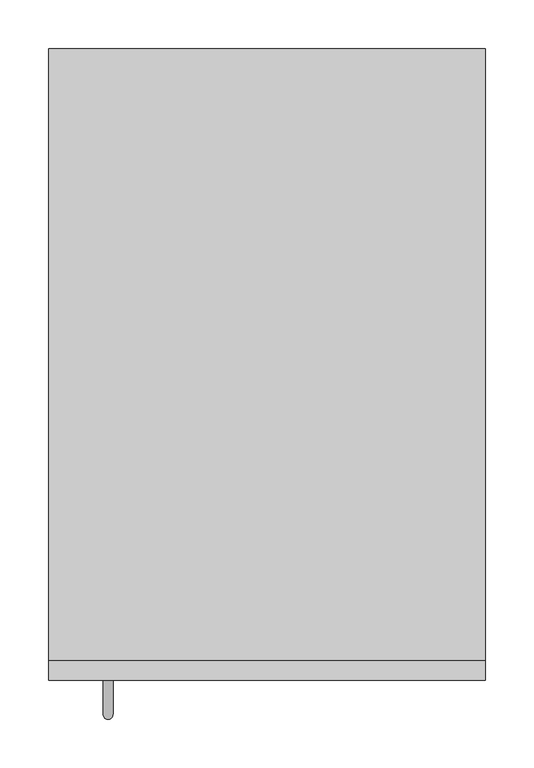
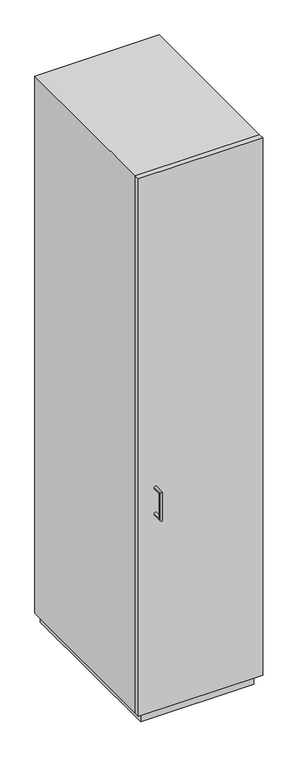
"""IFC4 building model written with IfcOpenShell, lengths in millimetres: proxy geometry."""

from ifc_helpers import new_model, si_unit, frame, origin, origin_with_axes, place, context, project, spatial, polyline, circle_curve, ellipse_curve, outline, extrude, source, transform, mapped, element, save
from ifc_brep_helpers import plane_surface, cylinder_surface, advanced_brep


def specialty_equipment_d4fbeb06(model_context):
    return source(origin(), model_context, "Body", "SolidModel", [
        extrude(outline(polyline([(181.7808709, -155.3863617), (181.7808709, -175.3863617), (-268.2191291, -175.3863617), (-268.2191291, -155.3863617), (181.7808709, -155.3863617)])), frame((0.0, 0.0, 40.0), z_axis=(0.0, 0.0, 1.0), x_axis=(1.0, 0.0, 0.0)), (0.0, 0.0, 1.0), 2060.0),
        extrude(outline(polyline([(161.7808709, 474.6136383), (161.7808709, -155.3863617), (-248.2191291, -155.3863617), (-248.2191291, 474.6136383), (161.7808709, 474.6136383)])), origin_with_axes(), (0.0, 0.0, 1.0), 50.0),
        extrude(outline(polyline([(181.7808709, 474.6136383), (181.7808709, -155.3863617), (-268.2191291, -155.3863617), (-268.2191291, 474.6136383), (181.7808709, 474.6136383)])), frame((0.0, 0.0, 40.0), z_axis=(0.0, 0.0, 1.0), x_axis=(1.0, 0.0, 0.0)), (0.0, 0.0, 1.0), 2060.0),
        advanced_brep(
        [(-211.8953572, -175.3863617, 896.2432495), (-201.8953572, -175.3863617, 896.2432495), (-211.8953572, -210.3863617, 896.2432495), (-201.8953572, -210.3863617, 896.2432495), (-211.8953572, -210.3863617, 796.2432495), (-201.8953572, -210.3863617, 796.2432495), (-211.8953572, -175.3863617, 796.2432495), (-201.8953572, -175.3863617, 796.2432495)],
        [
            (0, 1, circle_curve(frame((-206.8953572, -175.3863617, 896.2432495), z_axis=(0.0, 1.0, 0.0), x_axis=(1.0, 0.0, 0.0)), 5.0)),
            (1, 0, circle_curve(frame((-206.8953572, -175.3863617, 896.2432495), z_axis=(0.0, 1.0, 0.0), x_axis=(1.0, 0.0, 0.0)), 5.0)),
            (0, 2),
            (2, 3, ellipse_curve(frame((-206.8953572, -210.3863617, 896.2432495), z_axis=(0.0, 0.7071067811865503, 0.7071067811865446), x_axis=(0.0, 0.7071067811865449, -0.7071067811865502)), 7.0710678, 5.0)),
            (3, 1),
            (3, 2, ellipse_curve(frame((-206.8953572, -210.3863617, 896.2432495), z_axis=(0.0, 0.7071067811865503, 0.7071067811865446), x_axis=(0.0, 0.7071067811865449, -0.7071067811865502)), 7.0710678, 5.0)),
            (2, 4),
            (4, 5, ellipse_curve(frame((-206.8953572, -210.3863617, 796.2432495), z_axis=(0.0, -0.7071067811865447, 0.7071067811865503), x_axis=(0.0, 0.7071067811865505, 0.7071067811865447)), 7.0710678, 5.0)),
            (5, 3),
            (5, 4, ellipse_curve(frame((-206.8953572, -210.3863617, 796.2432495), z_axis=(0.0, -0.7071067811865447, 0.7071067811865503), x_axis=(0.0, 0.7071067811865505, 0.7071067811865447)), 7.0710678, 5.0)),
            (6, 7, circle_curve(frame((-206.8953572, -175.3863617, 796.2432495), z_axis=(0.0, 1.0, 0.0), x_axis=(1.0, 0.0, 0.0)), 5.0)),
            (7, 6, circle_curve(frame((-206.8953572, -175.3863617, 796.2432495), z_axis=(0.0, 1.0, 0.0), x_axis=(1.0, 0.0, 0.0)), 5.0)),
            (4, 6),
            (7, 5),
        ],
        [
            plane_surface(frame((-246.8953572, -175.3863617, 896.2432495), z_axis=(0.0, 1.0, 0.0), x_axis=(1.0, 0.0, 0.0))),
            cylinder_surface(frame((-206.8953572, -175.3863617, 896.2432495), z_axis=(0.0, 1.0, 0.0), x_axis=(1.0, 0.0, 0.0)), 5.0),
            cylinder_surface(frame((-206.8953572, -210.3863617, 896.2432495), z_axis=(0.0, 0.0, 1.0), x_axis=(1.0, 0.0, 0.0)), 5.0),
            plane_surface(frame((-246.8953572, -175.3863617, 796.2432495), z_axis=(0.0, 1.0, 0.0), x_axis=(1.0, 0.0, 0.0))),
            cylinder_surface(frame((-206.8953572, -210.3863617, 796.2432495), z_axis=(0.0, -1.0, 0.0), x_axis=(1.0, 0.0, 0.0)), 5.0),
        ],
        [
            (0, [[1, 2]]),
            (1, [[-1, 3, 4, 5]]),
            (1, [[-2, -5, 6, -3]]),
            (2, [[-4, 7, 8, 9]]),
            (2, [[-6, -9, 10, -7]]),
            (3, [[11, 12]]),
            (4, [[-8, 13, -12, 14]]),
            (4, [[-10, -14, -11, -13]]),
        ],
    ),
    ])


if __name__ == "__main__":
    model = new_model("IFC4")
    model_context = context("Model", 3, world=origin())
    ifc_project = project(units=[si_unit("LENGTHUNIT", "METRE", prefix="MILLI")], contexts=[model_context])
    site = spatial("IfcSite", under=ifc_project)
    building = spatial("IfcBuilding", under=site)
    placement = place(None, origin())
    specialty_equipment_shape = specialty_equipment_d4fbeb06(model_context)
    element("IfcBuildingElementProxy", 1, Name="Specialty Equipment", at=placement, inside=building, context=model_context, shape_type="MappedRepresentation", body=[
        mapped(specialty_equipment_shape, transform((0.0, 0.0, 0.0), x_axis=(1.0, 0.0, 0.0), y_axis=(0.0, 1.0, 0.0), z_axis=(0.0, 0.0, 1.0))),
    ])
    save(model, "model.ifc")
